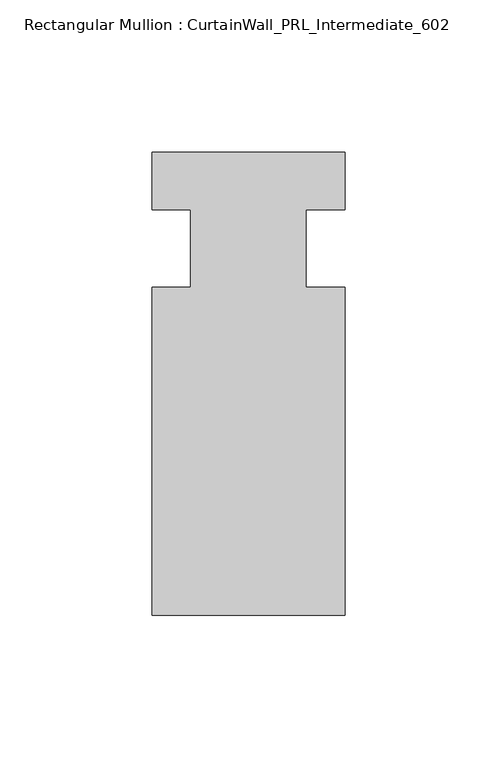
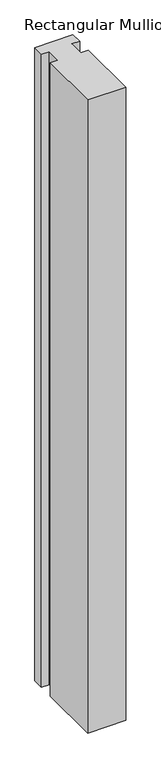
"""IFC4 building model written with IfcOpenShell, lengths in millimetres: member geometry, Rectangular Mullion : CurtainWall_PRL_Intermediate_602."""

from ifc_helpers import new_model, si_unit, frame, origin, place, context, project, spatial, polyline, outline, extrude, source, transform, mapped, element, save


def rectangular_mullion_curtainwall_prl_intermediate_602_229ea967(model_context):
    return source(origin(), model_context, "Body", "SweptSolid", [
        extrude(outline(polyline([(-19.05, -12.7), (-19.05, 12.7), (-31.75, 12.7), (-31.75, 31.75), (31.75, 31.75), (31.75, 12.7), (19.05, 12.7), (19.05, -12.7), (31.75, -12.7), (31.75, -120.65), (-31.75, -120.65), (-31.75, -12.7), (-19.05, -12.7)])), frame((0.0, 0.0, -1117.6), z_axis=(0.0, 0.0, 1.0), x_axis=(1.0, 0.0, 0.0)), (0.0, 0.0, 1.0), 1117.6),
    ])


if __name__ == "__main__":
    model = new_model("IFC4")
    model_context = context("Model", 3, world=origin())
    ifc_project = project(units=[si_unit("LENGTHUNIT", "METRE", prefix="MILLI")], contexts=[model_context])
    site = spatial("IfcSite", under=ifc_project)
    building = spatial("IfcBuilding", under=site)
    placement = place(None, origin())
    rectangular_mullion_curtainwall_prl_intermediate_602_shape = rectangular_mullion_curtainwall_prl_intermediate_602_229ea967(model_context)
    element("IfcMember", 1, ObjectType="Rectangular Mullion : CurtainWall_PRL_Intermediate_602", at=placement, inside=building, context=model_context, shape_type="MappedRepresentation", body=[
        mapped(rectangular_mullion_curtainwall_prl_intermediate_602_shape, transform((0.0, 0.0, 0.0), x_axis=(1.0, 0.0, 0.0), y_axis=(0.0, 1.0, 0.0), z_axis=(0.0, 0.0, 1.0))),
    ])
    save(model, "model.ifc")
